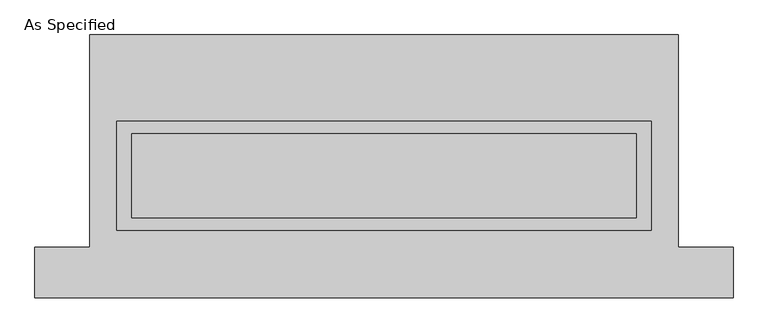
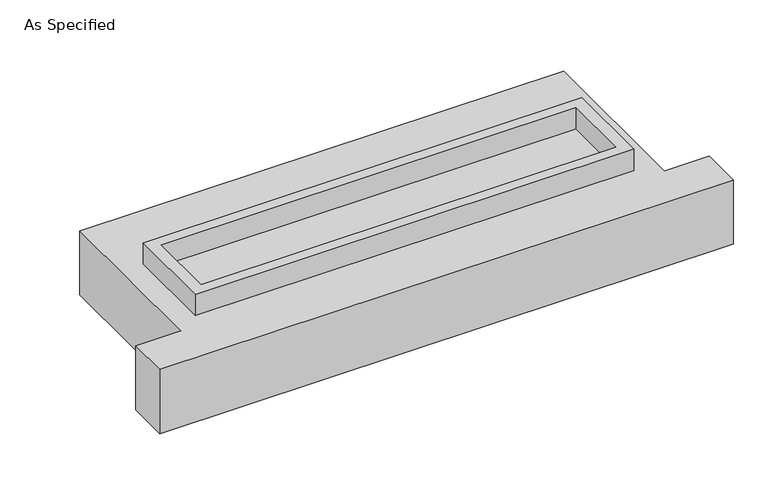
"""IFC4 building model written with IfcOpenShell, lengths in millimetres: proxy geometry, As Specified."""

from ifc_helpers import new_model, si_unit, frame, origin, place, context, project, spatial, polyline, outline, extrude, source, transform, mapped, element, save


def as_specified_ef62bb39(model_context):
    return source(origin(), model_context, "Body", "SweptSolid", [
        extrude(outline(polyline([(1612.9, 273.05), (1612.9, -387.35), (-1612.9, -387.35), (-1612.9, 273.05), (1612.9, 273.05)]), holes=[polyline([(1524.0, 196.85), (-1524.0, 196.85), (-1524.0, -311.15), (1524.0, -311.15), (1524.0, 196.85)])]), frame((0.0, 0.0, -688.975), z_axis=(0.0, 0.0, 1.0), x_axis=(1.0, 0.0, 0.0)), (0.0, 0.0, 1.0), 165.1),
        extrude(outline(polyline([(1612.9, 273.05), (1612.9, -387.35), (-1612.9, -387.35), (-1612.9, 273.05), (1612.9, 273.05)]), holes=[polyline([(1524.0, 196.85), (-1524.0, 196.85), (-1524.0, -311.15), (1524.0, -311.15), (1524.0, 196.85)])]), frame((0.0, 0.0, -25.4), z_axis=(0.0, 0.0, 1.0), x_axis=(1.0, 0.0, 0.0)), (0.0, 0.0, 1.0), 165.1),
        extrude(outline(polyline([(1524.0, 196.85), (1524.0, -311.15), (-1524.0, -311.15), (-1524.0, 196.85), (1524.0, 196.85)])), frame((0.0, 0.0, -523.875), z_axis=(0.0, 0.0, 1.0), x_axis=(1.0, 0.0, 0.0)), (0.0, 0.0, 1.0), 4.9609375),
        extrude(outline(polyline([(1524.0, 196.85), (1524.0, -311.15), (-1524.0, -311.15), (-1524.0, 196.85), (1524.0, 196.85)])), frame((0.0, 0.0, -30.3609375), z_axis=(0.0, 0.0, 1.0), x_axis=(1.0, 0.0, 0.0)), (0.0, 0.0, 1.0), 4.9609375),
        extrude(outline(polyline([(-1778.0, 793.75), (1778.0, 793.75), (1778.0, -488.95), (2108.2, -488.95), (2108.2, -793.75), (-2108.2, -793.75), (-2108.2, -488.95), (-1778.0, -488.95), (-1778.0, 793.75)]), holes=[polyline([(-1612.9, 273.05), (-1612.9, -387.35), (1612.9, -387.35), (1612.9, 273.05), (-1612.9, 273.05)])]), frame((0.0, 0.0, -523.875), z_axis=(0.0, 0.0, 1.0), x_axis=(1.0, 0.0, 0.0)), (0.0, 0.0, 1.0), 498.475),
    ])


if __name__ == "__main__":
    model = new_model("IFC4")
    model_context = context("Model", 3, world=origin())
    ifc_project = project(units=[si_unit("LENGTHUNIT", "METRE", prefix="MILLI")], contexts=[model_context])
    site = spatial("IfcSite", under=ifc_project)
    building = spatial("IfcBuilding", under=site)
    placement = place(None, origin())
    as_specified_shape = as_specified_ef62bb39(model_context)
    element("IfcBuildingElementProxy", 1, Name="As Specified", ObjectType="As Specified", at=placement, inside=building, context=model_context, shape_type="MappedRepresentation", body=[
        mapped(as_specified_shape, transform((0.0, 0.0, 0.0), x_axis=(1.0, 0.0, 0.0), y_axis=(0.0, 1.0, 0.0), z_axis=(0.0, 0.0, 1.0))),
    ])
    save(model, "model.ifc")
